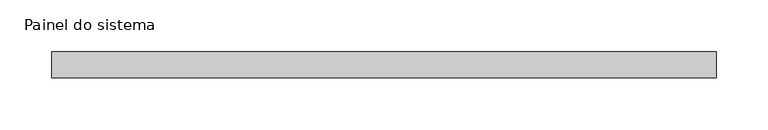
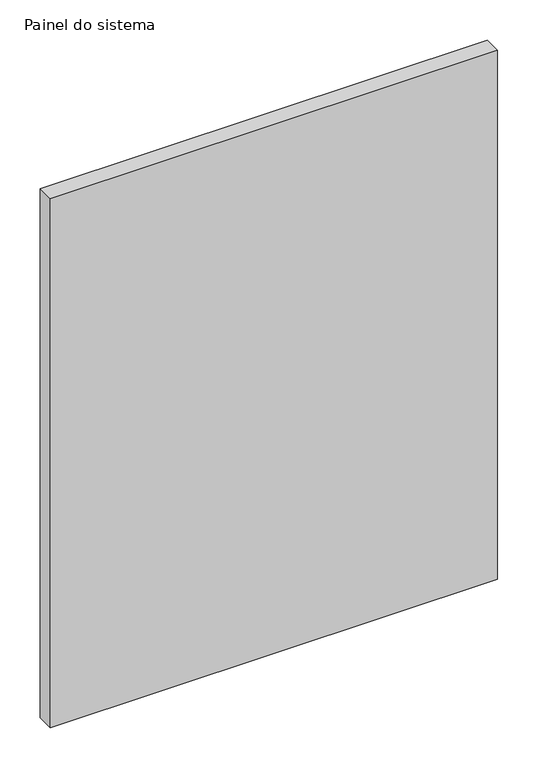
"""IFC4 building model written with IfcOpenShell, lengths in millimetres: plate geometry, Painel do sistema."""

from ifc_helpers import new_model, si_unit, origin, origin_with_axes, place, context, project, spatial, polyline, outline, extrude, source, transform, mapped, element, save


def painel_do_sistema_ac860c62(model_context):
    return source(origin(), model_context, "Body", "SweptSolid", [
        extrude(outline(polyline([(319.9999998, 24.5), (-319.9999998, 24.5), (-319.9999998, 49.5), (319.9999998, 49.5), (319.9999998, 24.5)])), origin_with_axes(), (0.0, 0.0, 1.0), 800.0),
    ])


if __name__ == "__main__":
    model = new_model("IFC4")
    model_context = context("Model", 3, world=origin())
    ifc_project = project(units=[si_unit("LENGTHUNIT", "METRE", prefix="MILLI")], contexts=[model_context])
    site = spatial("IfcSite", under=ifc_project)
    building = spatial("IfcBuilding", under=site)
    placement = place(None, origin())
    painel_do_sistema_shape = painel_do_sistema_ac860c62(model_context)
    element("IfcPlate", 1, ObjectType="Painel do sistema", at=placement, inside=building, context=model_context, shape_type="MappedRepresentation", body=[
        mapped(painel_do_sistema_shape, transform((0.0, 0.0, 0.0), x_axis=(1.0, 0.0, 0.0), y_axis=(0.0, 1.0, 0.0), z_axis=(0.0, 0.0, 1.0))),
    ])
    save(model, "model.ifc")
